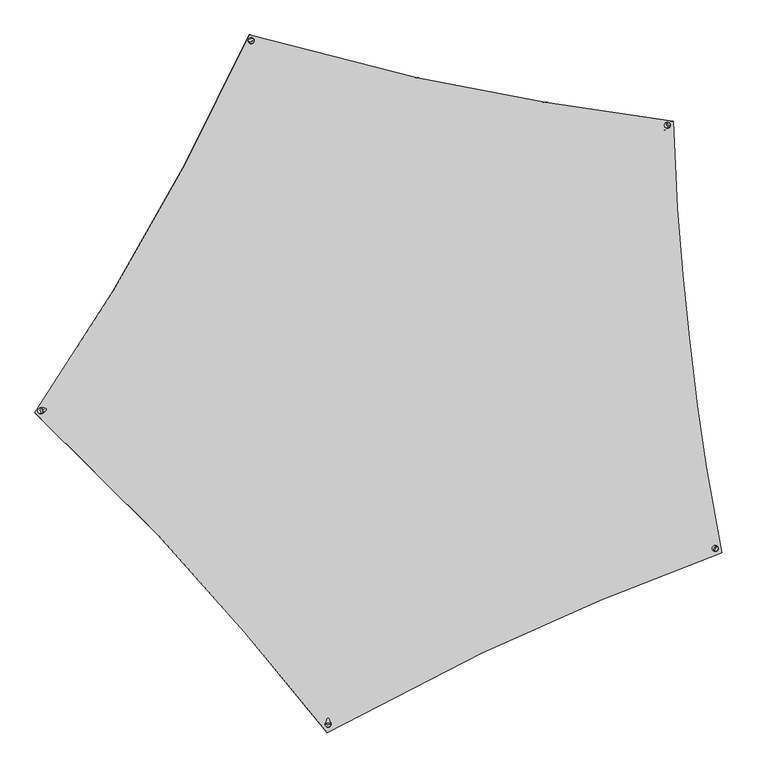
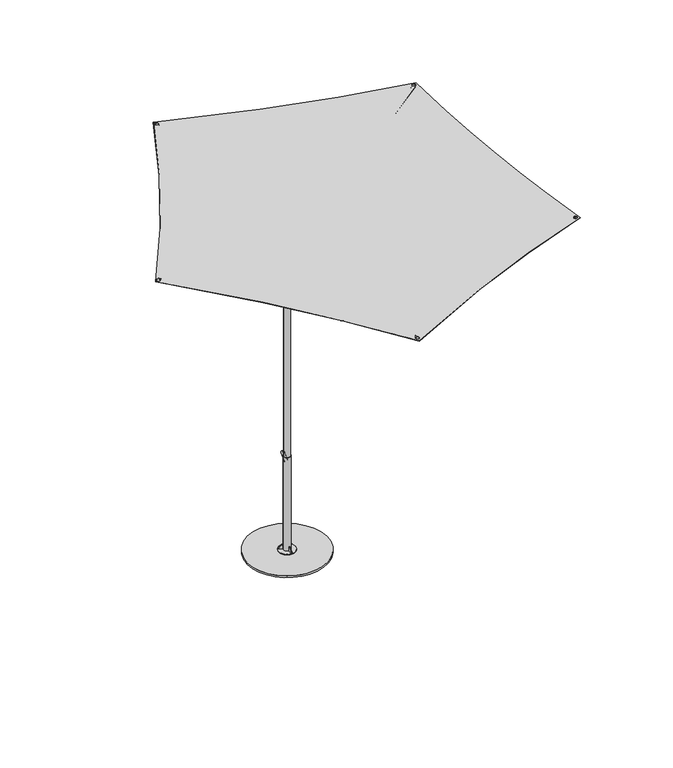
"""IFC4 building model written with IfcOpenShell, lengths in millimetres: furniture geometry."""

from ifc_helpers import new_model, si_unit, point, frame, frame_2d, origin, origin_with_axes, origin_2d, place, context, project, spatial, polyline, circle_curve, trimmed, segment, composite_curve, outline, extrude, source, transform, mapped, element, save
from ifc_brep_helpers import plane_surface, cylinder_surface, revolved_surface, advanced_brep


def furniture_1220325a(model_context):
    return source(origin(), model_context, "Body", "SolidModel", [
        extrude(outline(polyline([(483.4901659, 0.0), (966.2522181, 26.5693028), (1446.8226171, 79.6271932), (1629.0521244, -470.3884174), (1790.4786241, -873.885222), (1969.5413613, -1269.8907009), (1732.9424363, -1437.5936904), (1555.9538316, -1572.035021), (1389.5185083, -1704.4753392), (1214.647864, -1850.1704917), (1058.1925364, -1986.1978113), (845.776469, -2183.5656118), (493.7928097, -1928.1542929), (130.8865928, -1688.4698661), (-371.4668734, -1398.730367), (-236.9433629, -985.4668208), (-120.7712801, -566.6915127), (0.0, 0.0), (483.4901659, 0.0)]), holes=[composite_curve([segment(trimmed(circle_curve(frame_2d((16.6730176, -12.7441186)), 10.0), [point((11.2701402, -4.3293153))], [point((22.075895, -21.158922))], True, "CARTESIAN"), True, "CONTINUOUS"), segment(trimmed(circle_curve(frame_2d((16.6730176, -12.7441186)), 10.0), [point((22.075895, -21.158922))], [point((11.2701402, -4.3293153))], True, "CARTESIAN"), True, "CONTINUOUS")], self_intersect=False), composite_curve([segment(trimmed(circle_curve(frame_2d((1434.8548577, 62.8421241)), 10.0), [point((1429.4519803, 71.2569274))], [point((1440.2577351, 54.4273207))], True, "CARTESIAN"), True, "CONTINUOUS"), segment(trimmed(circle_curve(frame_2d((1434.8548577, 62.8421241)), 10.0), [point((1440.2577351, 54.4273207))], [point((1429.4519803, 71.2569274))], True, "CARTESIAN"), True, "CONTINUOUS")], self_intersect=False), composite_curve([segment(trimmed(circle_curve(frame_2d((1947.5640154, -1260.1393825)), 10.0), [point((1942.1611381, -1251.7245791))], [point((1952.9668929, -1268.5541858))], True, "CARTESIAN"), True, "CONTINUOUS"), segment(trimmed(circle_curve(frame_2d((1947.5640154, -1260.1393825)), 10.0), [point((1952.9668929, -1268.5541858))], [point((1942.1611381, -1251.7245791))], True, "CARTESIAN"), True, "CONTINUOUS")], self_intersect=False), composite_curve([segment(trimmed(circle_curve(frame_2d((845.6118551, -2157.3121196)), 10.0), [point((840.2089777, -2148.8973162))], [point((851.0147324, -2165.726923))], True, "CARTESIAN"), True, "CONTINUOUS"), segment(trimmed(circle_curve(frame_2d((845.6118551, -2157.3121196)), 10.0), [point((851.0147324, -2165.726923))], [point((840.2089777, -2148.8973162))], True, "CARTESIAN"), True, "CONTINUOUS")], self_intersect=False), composite_curve([segment(trimmed(circle_curve(frame_2d((-345.0342515, -1385.7441545)), 10.0), [point((-350.4371289, -1377.3293512))], [point((-339.6313742, -1394.158958))], True, "CARTESIAN"), True, "CONTINUOUS"), segment(trimmed(circle_curve(frame_2d((-345.0342515, -1385.7441545)), 10.0), [point((-339.6313742, -1394.158958))], [point((-350.4371289, -1377.3293512))], True, "CARTESIAN"), True, "CONTINUOUS")], self_intersect=False)]), frame((-959.1356123, -289.1827888, 2225.9052665), z_axis=(0.04361639882122031, -0.026161002018242067, 0.9987057683458478), x_axis=(0.5399657830187122, 0.8416855707335762, -0.0015340103920775741)), (0.0, 0.0, 1.0), 0.9543941),
        extrude(outline(composite_curve([segment(trimmed(circle_curve(frame_2d((1e-07, -10.0)), 10.0), [point((0.0, -20.0))], [point((0.0, 0.0))], False, "CARTESIAN"), True, "CONTINUOUS"), segment(trimmed(circle_curve(frame_2d((1e-07, -10.0)), 10.0), [point((0.0, 0.0))], [point((0.0, -20.0))], False, "CARTESIAN"), True, "CONTINUOUS")], self_intersect=False)), frame((-2.2131029, -11.7579423, 1770.1664952), z_axis=(-0.8685675972805684, -0.25981155584392235, 0.42200507627778705), x_axis=(-0.4043050354903081, -0.12093685411428257, -0.9065934676546713)), (0.0, 0.0, 1.0), 1072.8473139),
        extrude(outline(composite_curve([segment(trimmed(circle_curve(frame_2d((0.0, -10.0000001)), 10.0), [point((0.0, -20.0))], [point((0.0, 0.0))], False, "CARTESIAN"), True, "CONTINUOUS"), segment(trimmed(circle_curve(frame_2d((0.0, -10.0000001)), 10.0), [point((0.0, 0.0))], [point((0.0, -20.0))], False, "CARTESIAN"), True, "CONTINUOUS")], self_intersect=False)), frame((-11.4468523, -2.5178692, 1728.2605921), z_axis=(-0.21473613858651303, 0.8674927297244662, 0.448714558110329), x_axis=(-0.10781740657716062, 0.43556877930069676, -0.8936751341161263)), (0.0, 0.0, 1.0), 1099.6689828),
        extrude(outline(composite_curve([segment(trimmed(circle_curve(frame_2d((0.0, -10.0)), 10.0), [point((-1e-07, -20.0000001))], [point((0.0, 0.0))], False, "CARTESIAN"), True, "CONTINUOUS"), segment(trimmed(circle_curve(frame_2d((0.0, -10.0)), 10.0), [point((0.0, 0.0))], [point((-1e-07, -20.0000001))], False, "CARTESIAN"), True, "CONTINUOUS")], self_intersect=False)), frame((-2.8248499, 11.905846, 1849.4594324), z_axis=(0.8433820236883527, 0.48904003511450617, 0.22259066955859053), x_axis=(0.19256058040968158, 0.11165585093718326, -0.9749119928607815)), (0.0, 0.0, 1.0), 1363.7730903),
        extrude(outline(composite_curve([segment(trimmed(circle_curve(frame_2d((0.0, -10.0)), 10.0), [point((0.0, -20.0))], [point((0.0, 0.0))], False, "CARTESIAN"), True, "CONTINUOUS"), segment(trimmed(circle_curve(frame_2d((0.0, -10.0)), 10.0), [point((0.0, 0.0))], [point((0.0, -20.0))], False, "CARTESIAN"), True, "CONTINUOUS")], self_intersect=False)), frame((13.111289, 6.0373285, 1810.5261812), z_axis=(0.8534119595862123, -0.4836178697919672, 0.19442680693027214), x_axis=(0.16915412566226204, -0.09585752461094003, -0.9809170284722856)), (0.0, 0.0, 1.0), 1525.3776736),
        extrude(outline(composite_curve([segment(trimmed(circle_curve(frame_2d((0.0, -9.9999999)), 10.0), [point((0.0, -19.9999999))], [point((0.0, 0.0))], False, "CARTESIAN"), True, "CONTINUOUS"), segment(trimmed(circle_curve(frame_2d((0.0, -9.9999999)), 10.0), [point((0.0, 0.0))], [point((0.0, -19.9999999))], False, "CARTESIAN"), True, "CONTINUOUS")], self_intersect=False)), frame((11.8261202, -8.2763589, 1890.5261812), z_axis=(0.012839807191747824, -0.9808329909307587, 0.19442680693027223), x_axis=(0.0025449682709452587, -0.19441014991404437, -0.9809170284722856)), (0.0, 0.0, 1.0), 1343.5582211),
        extrude(outline(composite_curve([segment(polyline([(-23.9094925, 0.0), (0.0, 0.0)]), True, "CONTINUOUS"), segment(trimmed(circle_curve(frame_2d((0.0, -7.5000001)), 7.5), [point((0.0, 0.0))], [point((5.3033022, -2.1967005))], False, "CARTESIAN"), True, "CONTINUOUS"), segment(polyline([(5.3033022, -2.1967005), (6.6422365, -3.5356354), (-11.9545627, -22.1324254), (-30.5515369, -3.535442), (-29.2127921, -2.1966979)]), True, "CONTINUOUS"), segment(trimmed(circle_curve(frame_2d((-23.9094925, -7.5000001)), 7.5), [point((-29.2127921, -2.1966979))], [point((-23.9094925, 0.0))], False, "CARTESIAN"), True, "CONTINUOUS")], self_intersect=False)), frame((-40.1877226, 20.2014661, 22.1963878), z_axis=(0.5000000000000109, 0.8660254037844324, 0.0), x_axis=(-0.61237258709214, 0.3535534780020162, -0.7071066063690518)), (0.0, 0.0, 1.0), 4.9999855),
        extrude(outline(composite_curve([segment(trimmed(circle_curve(frame_2d((23.9094925, -7.5)), 7.5), [point((23.9094925, 0.0))], [point((29.212792, -2.1966978))], False, "CARTESIAN"), True, "CONTINUOUS"), segment(polyline([(29.212792, -2.1966978), (30.5515369, -3.535442), (11.9545627, -22.1324254), (-6.6422365, -3.5356354), (-5.3033022, -2.1967004)]), True, "CONTINUOUS"), segment(trimmed(circle_curve(frame_2d((-1e-07, -7.5)), 7.5), [point((-5.3033022, -2.1967004))], [point((0.0, 0.0))], False, "CARTESIAN"), True, "CONTINUOUS"), segment(polyline([(0.0, 0.0), (23.9094925, 0.0)]), True, "CONTINUOUS")], self_intersect=False)), frame((40.0918604, 20.3667904, 22.1963878), z_axis=(-0.49987144708301634, 0.8660996111251471, 0.0), x_axis=(-0.612425059618954, -0.3534625773401768, 0.707106606369054)), (0.0, 0.0, 1.0), 4.9999855),
        extrude(outline(composite_curve([segment(trimmed(circle_curve(frame_2d((-22.6944537, 33.7996457)), 7.5), [point((-27.9977532, 39.1029479))], [point((-22.6944537, 41.2996457))], False, "CARTESIAN"), True, "CONTINUOUS"), segment(polyline([(-22.6944537, 41.2996457), (-20.8011831, 41.2996457), (-20.8011831, 14.9995461), (-47.1010222, 14.9995461), (-47.1010222, 16.8930856)]), True, "CONTINUOUS"), segment(trimmed(circle_curve(frame_2d((-39.6010222, 16.8930856)), 7.5), [point((-47.1010222, 16.8930856))], [point((-44.9043217, 22.1963878))], False, "CARTESIAN"), True, "CONTINUOUS"), segment(polyline([(-44.9043217, 22.1963878), (-27.9977532, 39.1029479)]), True, "CONTINUOUS")], self_intersect=False)), frame((-2.4011071, 0.0, 0.0), z_axis=(1.0, 0.0, 0.0), x_axis=(0.0, 1.0, 0.0)), (0.0, 0.0, 1.0), 4.9999855),
        advanced_brep(
        [(2.0050247, 6.6683577, 555.9934764), (2.0323907, 6.7535409, 562.7067975), (2.0187077, 6.7109493, 559.350137), (4.9613596, 15.870641, 555.7355007), (4.9897784, 15.9591013, 562.7070956), (5.0337176, 16.0958724, 556.5206425), (5.0557109, 16.1643314, 561.9159282), (6.5138291, 20.7030652, 556.3916343), (6.5363482, 20.7731612, 561.9159282), (6.4858011, 20.6158214, 549.515909), (6.5643762, 20.860405, 568.7916535), (32.4515681, 101.4403402, 547.9006547), (32.5340872, 101.6972005, 568.1439321), (32.4928276, 101.5687703, 558.0222934)],
        [
            (0, 1, circle_curve(frame((2.0187077, 6.7109493, 559.350137), z_axis=(-0.30583742950281617, -0.951990482657956, 0.013326201401069094), x_axis=(0.004076013122392783, 0.012687543529302184, 0.9999112022355876)), 3.3569586)),
            (1, 2),
            (2, 0),
            (1, 0, circle_curve(frame((2.0187077, 6.7109493, 559.350137), z_axis=(-0.30583742950281617, -0.951990482657956, 0.013326201401069094), x_axis=(0.004076013122392783, 0.012687543529302184, 0.9999112022355876)), 3.3569586)),
            (3, 4, circle_curve(frame((4.975569, 15.9148712, 559.2212982), z_axis=(-0.30583742950281617, -0.951990482657956, 0.013326201401069094), x_axis=(0.004076013122392783, 0.012687543529302184, 0.9999112022355876)), 3.486107)),
            (4, 1),
            (0, 3),
            (4, 3, circle_curve(frame((4.975569, 15.9148712, 559.2212982), z_axis=(-0.30583742950281617, -0.951990482657956, 0.013326201401069094), x_axis=(0.004076013122392783, 0.012687543529302184, 0.9999112022355876)), 3.486107)),
            (5, 6, circle_curve(frame((5.0447143, 16.1301019, 559.2182853), z_axis=(-0.30583742950281617, -0.951990482657956, 0.013326201401069094), x_axis=(0.004076013122392783, 0.012687543529302184, 0.9999112022355876)), 2.6978824)),
            (6, 4),
            (3, 5),
            (6, 5, circle_curve(frame((5.0447143, 16.1301019, 559.2182853), z_axis=(-0.30583742950281617, -0.951990482657956, 0.013326201401069094), x_axis=(0.004076013122392783, 0.012687543529302184, 0.9999112022355876)), 2.6978824)),
            (7, 8, circle_curve(frame((6.5250886, 20.7381132, 559.1537812), z_axis=(-0.30583742950281617, -0.951990482657956, 0.013326201401069094), x_axis=(0.004076013122392783, 0.012687543529302184, 0.9999112022355876)), 2.7623922)),
            (8, 6),
            (5, 7),
            (8, 7, circle_curve(frame((6.5250886, 20.7381132, 559.1537812), z_axis=(-0.30583742950281617, -0.951990482657956, 0.013326201401069094), x_axis=(0.004076013122392783, 0.012687543529302184, 0.9999112022355876)), 2.7623922)),
            (9, 10, circle_curve(frame((6.5250886, 20.7381132, 559.1537812), z_axis=(-0.30583742950281617, -0.951990482657956, 0.013326201401069094), x_axis=(0.004076013122392783, 0.012687543529302184, 0.9999112022355876)), 9.6387282)),
            (10, 8),
            (7, 9),
            (10, 9, circle_curve(frame((6.5250886, 20.7381132, 559.1537812), z_axis=(-0.30583742950281617, -0.951990482657956, 0.013326201401069094), x_axis=(0.004076013122392783, 0.012687543529302184, 0.9999112022355876)), 9.6387282)),
            (11, 12, circle_curve(frame((32.4928276, 101.5687703, 558.0222934), z_axis=(-0.30583742950281617, -0.951990482657956, 0.013326201401069094), x_axis=(0.004076013122392783, 0.012687543529302184, 0.9999112022355876)), 10.1225376)),
            (12, 10),
            (9, 11),
            (12, 11, circle_curve(frame((32.4928276, 101.5687703, 558.0222934), z_axis=(-0.30583742950281617, -0.951990482657956, 0.013326201401069094), x_axis=(0.004076013122392783, 0.012687543529302184, 0.9999112022355876)), 10.1225376)),
            (13, 12),
            (11, 13),
        ],
        [
            plane_surface(frame((2.0187077, 6.7109493, 559.350137), z_axis=(-0.30583742950281617, -0.951990482657956, 0.013326201401069096), x_axis=(0.004076013122392783, 0.012687543529302184, 0.9999112022355876))),
            revolved_surface(polyline([(2.0187077, 6.7109493, 562.7070956), (4.9897784, 15.9591013, 562.7070956)]), (34.4217762, 107.5730735, 557.9382437), (0.30583742950281617, 0.951990482657956, -0.013326201401069094)),
            revolved_surface(polyline([(4.9897784, 15.9591013, 562.7070956), (5.0557109, 16.1643314, 561.9159282)]), (34.4217762, 107.5730735, 557.9382437), (0.30583742950281617, 0.951990482657956, -0.013326201401069094)),
            revolved_surface(polyline([(5.0557109, 16.1643314, 561.9159282), (6.5363482, 20.7731612, 561.9159282)]), (34.4217762, 107.5730735, 557.9382437), (0.30583742950281617, 0.951990482657956, -0.013326201401069094)),
            plane_surface(frame((6.5250886, 20.7381132, 559.1537812), z_axis=(-0.30583742950281617, -0.951990482657956, 0.013326201401069096), x_axis=(0.004076013122392783, 0.012687543529302184, 0.9999112022355876))),
            revolved_surface(polyline([(6.5363482, 20.7731612, 568.7924391), (32.5340872, 101.6972005, 568.1439321)]), (34.4217762, 107.5730735, 557.9382437), (0.30583742950281617, 0.951990482657956, -0.013326201401069094)),
            plane_surface(frame((32.4928276, 101.5687703, 558.0222934), z_axis=(0.30583742950281617, 0.951990482657956, -0.013326201401069096), x_axis=(0.004076013122392783, 0.012687543529302184, 0.9999112022355876))),
        ],
        [
            (0, [[1, 2, 3]]),
            (0, [[4, -3, -2]]),
            (1, [[5, 6, -1, 7]]),
            (1, [[8, -7, -4, -6]]),
            (2, [[9, 10, -5, 11]]),
            (2, [[12, -11, -8, -10]]),
            (3, [[13, 14, -9, 15]]),
            (3, [[16, -15, -12, -14]]),
            (4, [[17, 18, -13, 19]]),
            (4, [[20, -19, -16, -18]]),
            (5, [[21, 22, -17, 23]]),
            (5, [[24, -23, -20, -22]]),
            (6, [[25, -21, 26]]),
            (6, [[-26, -24, -25]]),
        ],
    ),
        advanced_brep(
        [(-114.7616423, 65.3736705, 1651.3290589), (-118.2315724, 67.3770356, 1671.4382135), (-116.4966073, 66.3753531, 1661.3836362), (-42.5209408, 23.6654821, 1667.9496937), (-45.9908709, 25.6688472, 1688.0588482), (-43.2758154, 24.1013092, 1672.32439), (-45.2359963, 25.2330201, 1683.6841519), (-40.805459, 22.6750482, 1672.7522816), (-42.8122665, 23.8336791, 1684.3822574), (-40.0738977, 22.2526811, 1668.5126922), (-43.5438278, 24.2560462, 1688.6218468), (-7.5575285, 3.4793466, 1675.9938308), (-11.0274586, 5.4827117, 1696.1029853), (-9.2924935, 4.4810291, 1686.048408)],
        [
            (0, 1, circle_curve(frame((-116.4966073, 66.3753531, 1661.3836362), z_axis=(-0.8493302071081125, 0.4903610237047597, -0.19540794693387228), x_axis=(-0.169228246146094, 0.09770397346693771, 0.9807220474095039)), 10.2522191)),
            (1, 2),
            (2, 0),
            (1, 0, circle_curve(frame((-116.4966073, 66.3753531, 1661.3836362), z_axis=(-0.8493302071081125, 0.4903610237047597, -0.19540794693387228), x_axis=(-0.169228246146094, 0.09770397346693771, 0.9807220474095039)), 10.2522191)),
            (3, 4, circle_curve(frame((-44.2559059, 24.6671646, 1678.0042709), z_axis=(-0.8493302071081125, 0.4903610237047597, -0.19540794693387228), x_axis=(-0.169228246146094, 0.09770397346693771, 0.9807220474095039)), 10.2522191)),
            (4, 1),
            (0, 3),
            (4, 3, circle_curve(frame((-44.2559059, 24.6671646, 1678.0042709), z_axis=(-0.8493302071081125, 0.4903610237047597, -0.19540794693387228), x_axis=(-0.169228246146094, 0.09770397346693771, 0.9807220474095039)), 10.2522191)),
            (5, 6, circle_curve(frame((-44.2559059, 24.6671646, 1678.0042709), z_axis=(-0.8493302071081125, 0.4903610237047597, -0.19540794693387228), x_axis=(-0.169228246146094, 0.09770397346693771, 0.9807220474095039)), 5.7915298)),
            (6, 4),
            (3, 5),
            (6, 5, circle_curve(frame((-44.2559059, 24.6671646, 1678.0042709), z_axis=(-0.8493302071081125, 0.4903610237047597, -0.19540794693387228), x_axis=(-0.169228246146094, 0.09770397346693771, 0.9807220474095039)), 5.7915298)),
            (7, 8, circle_curve(frame((-41.8088627, 23.2543636, 1678.5672695), z_axis=(-0.8493302071081125, 0.4903610237047597, -0.19540794693387228), x_axis=(-0.169228246146094, 0.09770397346693771, 0.9807220474095039)), 5.9292925)),
            (8, 6),
            (5, 7),
            (8, 7, circle_curve(frame((-41.8088627, 23.2543636, 1678.5672695), z_axis=(-0.8493302071081125, 0.4903610237047597, -0.19540794693387228), x_axis=(-0.169228246146094, 0.09770397346693771, 0.9807220474095039)), 5.9292925)),
            (9, 10, circle_curve(frame((-41.8088627, 23.2543636, 1678.5672695), z_axis=(-0.8493302071081125, 0.4903610237047597, -0.19540794693387228), x_axis=(-0.169228246146094, 0.09770397346693771, 0.9807220474095039)), 10.2522191)),
            (10, 8),
            (7, 9),
            (10, 9, circle_curve(frame((-41.8088627, 23.2543636, 1678.5672695), z_axis=(-0.8493302071081125, 0.4903610237047597, -0.19540794693387228), x_axis=(-0.169228246146094, 0.09770397346693771, 0.9807220474095039)), 10.2522191)),
            (11, 12, circle_curve(frame((-9.2924935, 4.4810291, 1686.048408), z_axis=(-0.8493302071081125, 0.4903610237047597, -0.19540794693387228), x_axis=(-0.169228246146094, 0.09770397346693771, 0.9807220474095039)), 10.2522191)),
            (12, 10),
            (9, 11),
            (12, 11, circle_curve(frame((-9.2924935, 4.4810291, 1686.048408), z_axis=(-0.8493302071081125, 0.4903610237047597, -0.19540794693387228), x_axis=(-0.169228246146094, 0.09770397346693771, 0.9807220474095039)), 10.2522191)),
            (13, 12),
            (11, 13),
        ],
        [
            plane_surface(frame((-116.4966073, 66.3753531, 1661.3836362), z_axis=(-0.8493302071081125, 0.49036102370475976, -0.19540794693387228), x_axis=(-0.169228246146094, 0.09770397346693771, 0.9807220474095039))),
            cylinder_surface(frame((-141.812569, 80.9915304, 1655.559117), z_axis=(0.8493302071081125, -0.4903610237047597, 0.19540794693387228), x_axis=(-0.169228246146094, 0.09770397346693771, 0.9807220474095039)), 10.2522191),
            plane_surface(frame((-44.2559059, 24.6671646, 1678.0042709), z_axis=(0.8493302071081125, -0.49036102370475976, 0.19540794693387228), x_axis=(-0.169228246146094, 0.09770397346693771, 0.9807220474095039))),
            revolved_surface(polyline([(-45.2359963, 25.2330201, 1683.6841519), (-42.8122665, 23.8336791, 1684.3822574)]), (-141.812569, 80.9915304, 1655.559117), (0.8493302071081125, -0.4903610237047597, 0.19540794693387228)),
            plane_surface(frame((-41.8088627, 23.2543636, 1678.5672695), z_axis=(-0.8493302071081125, 0.49036102370475976, -0.19540794693387228), x_axis=(-0.169228246146094, 0.09770397346693771, 0.9807220474095039))),
            plane_surface(frame((-9.2924935, 4.4810291, 1686.048408), z_axis=(0.8493302071081125, -0.49036102370475976, 0.19540794693387228), x_axis=(-0.169228246146094, 0.09770397346693771, 0.9807220474095039))),
        ],
        [
            (0, [[1, 2, 3]]),
            (0, [[4, -3, -2]]),
            (1, [[5, 6, -1, 7]]),
            (1, [[8, -7, -4, -6]]),
            (2, [[9, 10, -5, 11]]),
            (2, [[12, -11, -8, -10]]),
            (3, [[13, 14, -9, 15]]),
            (3, [[16, -15, -12, -14]]),
            (4, [[17, 18, -13, 19]]),
            (4, [[20, -19, -16, -18]]),
            (1, [[21, 22, -17, 23]]),
            (1, [[24, -23, -20, -22]]),
            (5, [[25, -21, 26]]),
            (5, [[-26, -24, -25]]),
        ],
    ),
        advanced_brep(
        [(16.7000163, 0.0, 1966.1441376), (-16.7000163, 0.0, 1966.1441376), (0.0, 0.0, 1966.1441376), (16.7000163, 0.0, 1928.9993118), (-16.7000163, 0.0, 1928.9993118), (15.7774638, 0.0, 1928.499633), (-15.7774638, 0.0, 1928.499633), (0.0, 0.0, 1928.499633)],
        [
            (0, 1, circle_curve(frame((0.0, 0.0, 1966.1441376), z_axis=(0.0, 0.0, 1.0), x_axis=(-1.0, 0.0, 0.0)), 16.7000163)),
            (1, 2),
            (2, 0),
            (1, 0, circle_curve(frame((0.0, 0.0, 1966.1441376), z_axis=(0.0, 0.0, 1.0), x_axis=(-1.0, 0.0, 0.0)), 16.7000163)),
            (3, 4, circle_curve(frame((0.0, 0.0, 1928.9993118), z_axis=(0.0, 0.0, 1.0), x_axis=(-1.0, 0.0, 0.0)), 16.7000163)),
            (4, 1),
            (0, 3),
            (4, 3, circle_curve(frame((0.0, 0.0, 1928.9993118), z_axis=(0.0, 0.0, 1.0), x_axis=(-1.0, 0.0, 0.0)), 16.7000163)),
            (5, 6, circle_curve(frame((0.0, 0.0, 1928.499633), z_axis=(0.0, 0.0, 1.0), x_axis=(-1.0, 0.0, 0.0)), 15.7774638)),
            (6, 4),
            (3, 5),
            (6, 5, circle_curve(frame((0.0, 0.0, 1928.499633), z_axis=(0.0, 0.0, 1.0), x_axis=(-1.0, 0.0, 0.0)), 15.7774638)),
            (7, 6),
            (5, 7),
        ],
        [
            plane_surface(frame((0.0, 0.0, 1966.1441376), z_axis=(0.0, 0.0, 1.0), x_axis=(-1.0, 0.0, 0.0))),
            cylinder_surface(frame((0.0, 0.0, 2421.4288111), z_axis=(0.0, 0.0, -1.0), x_axis=(-1.0, 0.0, 0.0)), 16.7000163),
            revolved_surface(polyline([(-16.7000163, 0.0, 1928.9993118), (-15.7774638, 0.0, 1928.499633)]), (0.0, 0.0, 2421.4288111), (0.0, 0.0, -1.0)),
            plane_surface(frame((0.0, 0.0, 1928.499633), z_axis=(0.0, 0.0, -1.0), x_axis=(-1.0, 0.0, 0.0))),
        ],
        [
            (0, [[1, 2, 3]]),
            (0, [[4, -3, -2]]),
            (1, [[5, 6, -1, 7]]),
            (1, [[8, -7, -4, -6]]),
            (2, [[9, 10, -5, 11]]),
            (2, [[12, -11, -8, -10]]),
            (3, [[13, -9, 14]]),
            (3, [[-14, -12, -13]]),
        ],
    ),
        extrude(outline(composite_curve([segment(trimmed(circle_curve(origin_2d(), 16.6998568), [point((-16.6998568, 0.0))], [point((16.6998568, 0.0))], False, "CARTESIAN"), True, "CONTINUOUS"), segment(trimmed(circle_curve(origin_2d(), 16.6998568), [point((16.6998568, 0.0))], [point((-16.6998568, 0.0))], False, "CARTESIAN"), True, "CONTINUOUS")], self_intersect=False), holes=[composite_curve([segment(trimmed(circle_curve(origin_2d(), 15.7774638), [point((-15.7774638, 0.0))], [point((15.7774638, 0.0))], True, "CARTESIAN"), True, "CONTINUOUS"), segment(trimmed(circle_curve(origin_2d(), 15.7774638), [point((15.7774638, 0.0))], [point((-15.7774638, 0.0))], True, "CARTESIAN"), True, "CONTINUOUS")], self_intersect=False)]), frame((0.0, 0.0, 1648.9998329), z_axis=(0.0, 0.0, 1.0), x_axis=(1.0, 0.0, 0.0)), (0.0, 0.0, 1.0), 279.4998001),
        extrude(outline(composite_curve([segment(trimmed(circle_curve(origin_2d(), 17.961077), [point((-17.961077, 0.0))], [point((17.961077, 0.0))], False, "CARTESIAN"), True, "CONTINUOUS"), segment(trimmed(circle_curve(origin_2d(), 17.961077), [point((17.961077, 0.0))], [point((-17.961077, 0.0))], False, "CARTESIAN"), True, "CONTINUOUS")], self_intersect=False), holes=[composite_curve([segment(trimmed(circle_curve(origin_2d(), 16.6998568), [point((-16.6998568, 0.0))], [point((16.6998568, 0.0))], True, "CARTESIAN"), True, "CONTINUOUS"), segment(trimmed(circle_curve(origin_2d(), 16.6998568), [point((16.6998568, 0.0))], [point((-16.6998568, 0.0))], True, "CARTESIAN"), True, "CONTINUOUS")], self_intersect=False)]), frame((0.0, 0.0, 605.2196487), z_axis=(0.0, 0.0, 1.0), x_axis=(1.0, 0.0, 0.0)), (0.0, 0.0, 1.0), 1043.7801842),
        extrude(outline(composite_curve([segment(trimmed(circle_curve(origin_2d(), 21.2019471), [point((-21.2019471, 0.0))], [point((21.2019471, 0.0))], False, "CARTESIAN"), True, "CONTINUOUS"), segment(trimmed(circle_curve(origin_2d(), 21.2019471), [point((21.2019471, 0.0))], [point((-21.2019471, 0.0))], False, "CARTESIAN"), True, "CONTINUOUS")], self_intersect=False), holes=[composite_curve([segment(trimmed(circle_curve(origin_2d(), 18.5707902), [point((-18.5707902, 0.0))], [point((18.5707902, 0.0))], True, "CARTESIAN"), True, "CONTINUOUS"), segment(trimmed(circle_curve(origin_2d(), 18.5707902), [point((18.5707902, 0.0))], [point((-18.5707902, 0.0))], True, "CARTESIAN"), True, "CONTINUOUS")], self_intersect=False)]), origin_with_axes(), (0.0, 0.0, 1.0), 610.0000982),
        extrude(outline(composite_curve([segment(trimmed(circle_curve(origin_2d(), 239.9999946), [point((-239.9999946, 0.0))], [point((239.9999946, 0.0))], False, "CARTESIAN"), True, "CONTINUOUS"), segment(trimmed(circle_curve(origin_2d(), 239.9999946), [point((239.9999946, 0.0))], [point((-239.9999946, 0.0))], False, "CARTESIAN"), True, "CONTINUOUS")], self_intersect=False)), origin_with_axes(), (0.0, 0.0, 1.0), 10.0),
        extrude(outline(composite_curve([segment(trimmed(circle_curve(origin_2d(), 49.8834831), [point((-49.8834831, 0.0))], [point((49.8834831, 0.0))], False, "CARTESIAN"), True, "CONTINUOUS"), segment(trimmed(circle_curve(origin_2d(), 49.8834831), [point((49.8834831, 0.0))], [point((-49.8834831, 0.0))], False, "CARTESIAN"), True, "CONTINUOUS")], self_intersect=False)), frame((0.0, 0.0, 10.0), z_axis=(0.0, 0.0, 1.0), x_axis=(1.0, 0.0, 0.0)), (0.0, 0.0, 1.0), 4.9995461),
    ])


if __name__ == "__main__":
    model = new_model("IFC4")
    model_context = context("Model", 3, world=origin())
    ifc_project = project(units=[si_unit("LENGTHUNIT", "METRE", prefix="MILLI")], contexts=[model_context])
    site = spatial("IfcSite", under=ifc_project)
    building = spatial("IfcBuilding", under=site)
    placement = place(None, origin())
    furniture_shape = furniture_1220325a(model_context)
    element("IfcFurniture", 1, at=placement, inside=building, context=model_context, shape_type="MappedRepresentation", body=[
        mapped(furniture_shape, transform((0.0, 0.0, 0.0), x_axis=(1.0, 0.0, 0.0), y_axis=(0.0, 1.0, 0.0), z_axis=(0.0, 0.0, 1.0))),
    ])
    save(model, "model.ifc")
